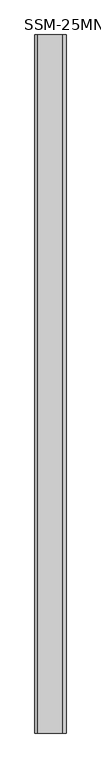
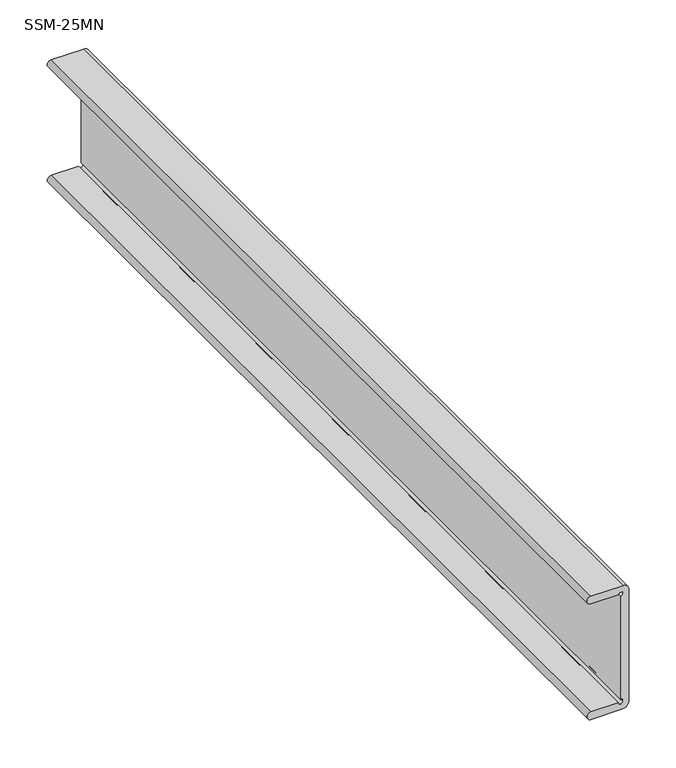
"""IFC4 building model written with IfcOpenShell, lengths in millimetres: proxy geometry, SSM-25MN."""

from ifc_helpers import new_model, si_unit, frame, origin, place, context, project, spatial, polyline, circle_curve, source, transform, mapped, element, save
from ifc_brep_helpers import plane_surface, cylinder_surface, revolved_surface, advanced_brep


def ssm_25mn_018125d3(model_context):
    return source(origin(), model_context, "Body", "AdvancedBrep", [
        advanced_brep(
        [(2.9825396, 0.0, 9.3838283), (9.4826667, 0.0, 2.9028571), (9.4826667, 0.0, -142.8359951), (1.9907826, 0.0, -149.182159), (-37.5724497, 0.0, -149.182159), (-36.5033411, 0.0, -139.7), (-3.1595345, 0.0, -139.7), (0.0983023, 0.0, -136.4417849), (0.0983023, 0.0, -3.2562624), (-3.1594997, 0.0, 0.0015375), (-36.7500361, 0.0, 0.0015375), (-36.7695238, 0.0, 9.4826667), (2.999619, -1141.4125, 9.4826667), (-36.7695238, -1141.4125, 9.4826667), (-36.7500361, -1141.4125, 0.0015375), (-3.1594997, -1141.4125, 0.0015375), (0.0983023, -1141.4125, -3.2562624), (0.0983023, -1141.4125, -136.4417849), (-3.1595345, -1141.4125, -139.7), (-36.5033411, -1141.4125, -139.7), (-37.5724497, -1141.4125, -149.182159), (1.9907826, -1141.4125, -149.182159), (9.4826667, -1141.4125, -142.8359951), (9.4826667, -1141.4125, 2.9028571)],
        [
            (0, 1, circle_curve(frame((3.1539119, 0.0, 3.0555517), z_axis=(0.0, 1.0, 0.0), x_axis=(1.0, 0.0, 0.0)), 6.3305965)),
            (1, 2),
            (2, 3, circle_curve(frame((1.9907826, 0.0, -141.5868522), z_axis=(0.0, 1.0, 0.0), x_axis=(1.0, 0.0, 0.0)), 7.5953067)),
            (3, 4),
            (4, 5, circle_curve(frame((-36.6249659, 0.0, -144.4876371), z_axis=(0.0, 1.0, 0.0), x_axis=(1.0, 0.0, 0.0)), 4.7891817)),
            (5, 6),
            (6, 7, circle_curve(frame((-0.3386446, 0.0, -139.2627255), z_axis=(0.0, -1.0, 0.0), x_axis=(1.0, 0.0, 0.0)), 2.8545803)),
            (7, 8),
            (8, 9, circle_curve(frame((-0.3386667, 0.0, -0.4354297), z_axis=(0.0, -1.0, 0.0), x_axis=(1.0, 0.0, 0.0)), 2.8544771)),
            (9, 10),
            (10, 11, circle_curve(frame((-36.7500361, 0.0, 4.7421221), z_axis=(0.0, 1.0, 0.0), x_axis=(1.0, 0.0, 0.0)), 4.7405846)),
            (11, 0),
            (12, 13),
            (13, 14, circle_curve(frame((-36.7500361, -1141.4125, 4.7421221), z_axis=(0.0, -1.0, 0.0), x_axis=(1.0, 0.0, 0.0)), 4.7405846)),
            (14, 15),
            (15, 16, circle_curve(frame((-0.3386667, -1141.4125, -0.4354297), z_axis=(0.0, 1.0, 0.0), x_axis=(1.0, 0.0, 0.0)), 2.8544771)),
            (16, 17),
            (17, 18, circle_curve(frame((-0.3386446, -1141.4125, -139.2627255), z_axis=(0.0, 1.0, 0.0), x_axis=(1.0, 0.0, 0.0)), 2.8545803)),
            (18, 19),
            (19, 20, circle_curve(frame((-36.6249659, -1141.4125, -144.4876371), z_axis=(0.0, -1.0, 0.0), x_axis=(1.0, 0.0, 0.0)), 4.7891817)),
            (20, 21),
            (21, 22, circle_curve(frame((1.9907826, -1141.4125, -141.5868522), z_axis=(0.0, -1.0, 0.0), x_axis=(1.0, 0.0, 0.0)), 7.5953067)),
            (22, 23),
            (23, 12, circle_curve(frame((3.1539119, -1141.4125, 3.0555517), z_axis=(0.0, -1.0, 0.0), x_axis=(1.0, 0.0, 0.0)), 6.3305965)),
            (11, 13),
            (12, 0),
            (23, 1),
            (3, 21),
            (20, 4),
            (22, 2),
            (19, 5),
            (18, 6),
            (8, 16),
            (15, 9),
            (14, 10),
            (7, 17),
        ],
        [
            plane_surface(frame((0.0, 0.0, 0.0), z_axis=(0.0, 1.0, 0.0), x_axis=(0.0, 0.0, 1.0))),
            plane_surface(frame((0.0, -1141.4125, 0.0), z_axis=(0.0, -1.0, 0.0), x_axis=(0.0, 0.0, 1.0))),
            plane_surface(frame((-36.7695238, 0.0, 9.4826667), z_axis=(0.0, 0.0, 1.0), x_axis=(0.0, -1.0, 0.0))),
            cylinder_surface(frame((3.1539119, 0.0, 3.0555517), z_axis=(0.0, 1.0, 0.0), x_axis=(1.0, 0.0, 0.0)), 6.3305965),
            plane_surface(frame((1.9907826, 0.0, -149.182159), z_axis=(0.0, 0.0, -1.0), x_axis=(0.0, -1.0, 0.0))),
            plane_surface(frame((9.4826667, 0.0, 2.9028571), z_axis=(1.0, 0.0, 0.0), x_axis=(0.0, -1.0, 0.0))),
            cylinder_surface(frame((-36.6249659, 0.0, -144.4876371), z_axis=(0.0, 1.0, 0.0), x_axis=(1.0, 0.0, 0.0)), 4.7891817),
            plane_surface(frame((-36.5033411, 0.0, -139.7), z_axis=(0.0, 0.0, 1.0), x_axis=(0.0, -1.0, 0.0))),
            revolved_surface(polyline([(2.5158104, -1141.4125, -0.4354297), (2.5158104, 0.0, -0.4354297)]), (-0.3386667, 0.0, -0.4354297), (0.0, -1.0, 0.0)),
            cylinder_surface(frame((1.9907826, 0.0, -141.5868522), z_axis=(0.0, 1.0, 0.0), x_axis=(1.0, 0.0, 0.0)), 7.5953067),
            plane_surface(frame((-3.1594997, 0.0, 0.0015375), z_axis=(0.0, 0.0, -1.0), x_axis=(0.0, -1.0, 0.0))),
            plane_surface(frame((0.0983023, 0.0, -136.4417849), z_axis=(-1.0, 0.0, 0.0), x_axis=(0.0, -1.0, 0.0))),
            revolved_surface(polyline([(2.5159357, -1141.4125, -139.2627255), (2.5159357, 0.0, -139.2627255)]), (-0.3386446, 0.0, -139.2627255), (0.0, -1.0, 0.0)),
            cylinder_surface(frame((-36.7500361, 0.0, 4.7421221), z_axis=(0.0, 1.0, 0.0), x_axis=(1.0, 0.0, 0.0)), 4.7405846),
        ],
        [
            (0, [[1, 2, 3, 4, 5, 6, 7, 8, 9, 10, 11, 12]]),
            (1, [[13, 14, 15, 16, 17, 18, 19, 20, 21, 22, 23, 24]]),
            (2, [[-12, 25, -13, 26]]),
            (3, [[-1, -26, -24, 27]]),
            (4, [[-4, 28, -21, 29]]),
            (5, [[-2, -27, -23, 30]]),
            (6, [[-5, -29, -20, 31]]),
            (7, [[-6, -31, -19, 32]]),
            (8, [[-9, 33, -16, 34]]),
            (9, [[-3, -30, -22, -28]]),
            (10, [[-10, -34, -15, 35]]),
            (11, [[-8, 36, -17, -33]]),
            (12, [[-7, -32, -18, -36]]),
            (13, [[-11, -35, -14, -25]]),
        ],
    ),
    ])


if __name__ == "__main__":
    model = new_model("IFC4")
    model_context = context("Model", 3, world=origin())
    ifc_project = project(units=[si_unit("LENGTHUNIT", "METRE", prefix="MILLI")], contexts=[model_context])
    site = spatial("IfcSite", under=ifc_project)
    building = spatial("IfcBuilding", under=site)
    placement = place(None, origin())
    ssm_25mn_shape = ssm_25mn_018125d3(model_context)
    element("IfcBuildingElementProxy", 1, Name="SSM-25MN", ObjectType="SSM-25MN", at=placement, inside=building, context=model_context, shape_type="MappedRepresentation", body=[
        mapped(ssm_25mn_shape, transform((0.0, 0.0, 0.0), x_axis=(1.0, 0.0, 0.0), y_axis=(0.0, 1.0, 0.0), z_axis=(0.0, 0.0, 1.0))),
    ])
    save(model, "model.ifc")
